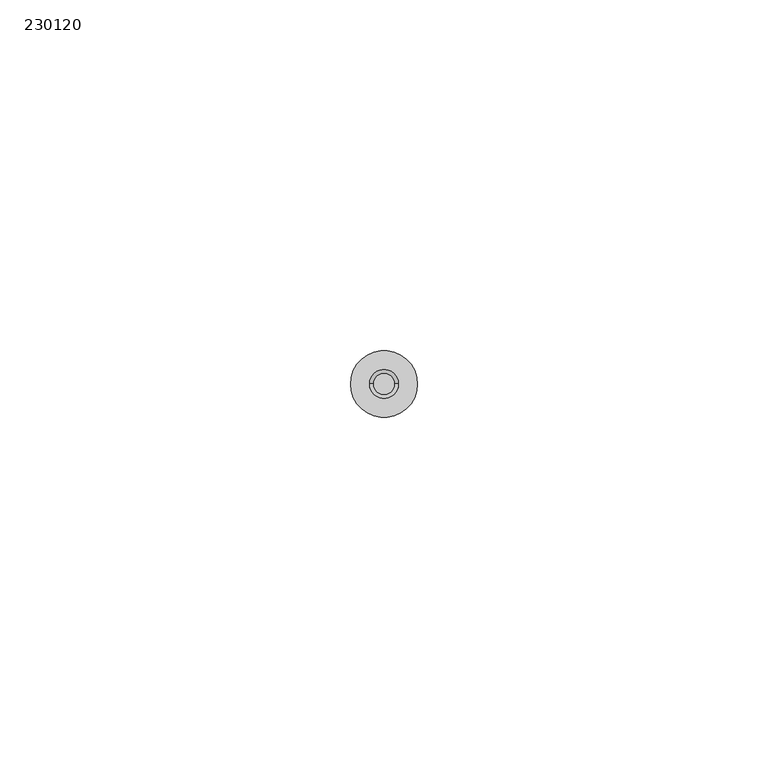
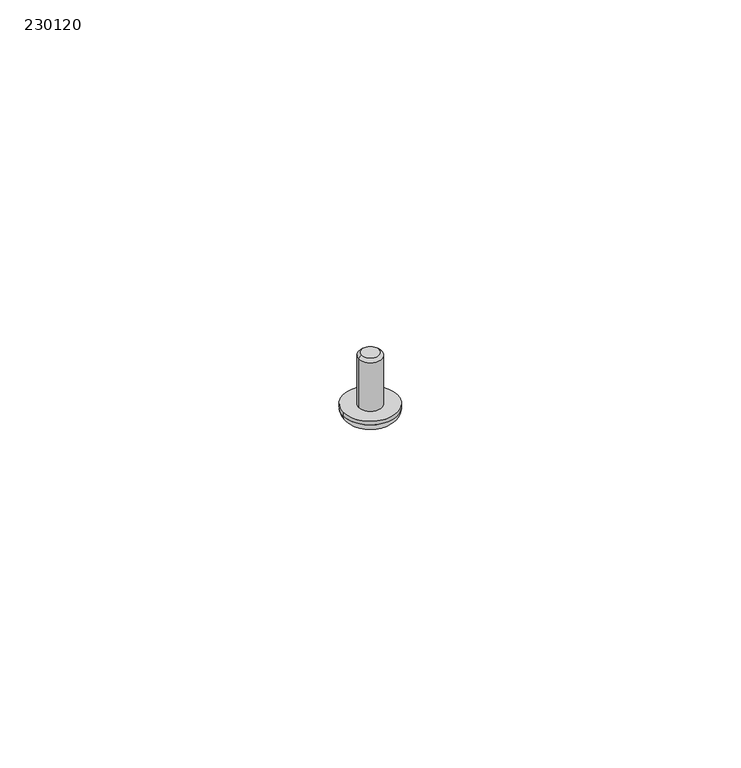
"""IFC4 building model written with IfcOpenShell, lengths in millimetres: proxy geometry, 230120."""

from ifc_helpers import new_model, si_unit, point, frame, origin, origin_with_axes, place, context, project, spatial, polyline, circle_curve, ellipse_curve, trimmed, source, transform, mapped, element, save
from ifc_brep_helpers import plane_surface, cylinder_surface, revolved_surface, advanced_brep


def proxy_230120_3cf7b6ec(model_context):
    return source(origin(), model_context, "Body", "AdvancedBrep", [
        advanced_brep(
        [(-4.7625, 0.0, 1.5875), (-4.7625, 0.0, 2.2606), (4.7625, 0.0, 2.2606), (4.7625, 0.0, 1.5875), (-3.175, 0.0, 0.0), (3.175, 0.0, 0.0), (-2.0574, 0.0, 2.2606), (-2.0574, 0.0, 11.2776), (2.0574, 0.0, 11.2776), (2.0574, 0.0, 2.2606), (-1.5494, 0.0, 11.7856), (1.5494, 0.0, 11.7856), (0.5551714, 2.0864002, 0.0), (-0.5551714, 2.0864002, 0.0), (-0.5551714, 0.5551714, 0.0), (-2.0864002, 0.5551714, 0.0), (-2.0864002, -0.5551714, 0.0), (-0.5551714, -0.5551714, 0.0), (-0.5551714, -2.0864002, 0.0), (0.5551714, -2.0864002, 0.0), (0.5551714, -0.5551714, 0.0), (2.0864002, -0.5551714, 0.0), (2.0864002, 0.5551714, 0.0), (0.5551714, 0.5551714, 0.0), (0.5551714, 2.0864002, 1.5875), (-0.5551714, 2.0864002, 1.5875), (0.5551714, 0.5551714, 1.5875), (2.0864002, 0.5551714, 1.5875), (2.0864002, -0.5551714, 1.5875), (0.5551714, -0.5551714, 1.5875), (0.5551714, -2.0864002, 1.5875), (-0.5551714, -2.0864002, 1.5875), (-0.5551714, -0.5551714, 1.5875), (-2.0864002, -0.5551714, 1.5875), (-2.0864002, 0.5551714, 1.5875), (-0.5551714, 0.5551714, 1.5875)],
        [
            (0, 1),
            (1, 2, circle_curve(frame((0.0, 0.0, 2.2606), z_axis=(0.0, 0.0, -1.0), x_axis=(-1.0, 0.0, 0.0)), 4.7625)),
            (2, 3),
            (3, 0, circle_curve(frame((0.0, 0.0, 1.5875), z_axis=(0.0, 0.0, 1.0), x_axis=(-1.0, 0.0, 0.0)), 4.7625)),
            (0, 4, circle_curve(frame((-3.175, 0.0, 1.5875), z_axis=(0.0, -1.0, 0.0), x_axis=(-1.0, 0.0, 0.0)), 1.5875)),
            (4, 5, circle_curve(origin_with_axes(), 3.175)),
            (5, 3, circle_curve(frame((3.175, 0.0, 1.5875), z_axis=(0.0, -1.0, 0.0), x_axis=(1.0, 0.0, 0.0)), 1.5875)),
            (3, 0, circle_curve(frame((0.0, 0.0, 1.5875), z_axis=(0.0, 0.0, -1.0), x_axis=(1.0, 0.0, 0.0)), 4.7625)),
            (6, 7),
            (7, 8, circle_curve(frame((0.0, 0.0, 11.2776), z_axis=(0.0, 0.0, -1.0), x_axis=(-1.0, 0.0, 0.0)), 2.0574)),
            (8, 9),
            (9, 6, circle_curve(frame((0.0, 0.0, 2.2606), z_axis=(0.0, 0.0, 1.0), x_axis=(-1.0, 0.0, 0.0)), 2.0574)),
            (10, 7),
            (7, 8, circle_curve(frame((0.0, 0.0, 11.2776), z_axis=(0.0, 0.0, 1.0), x_axis=(1.0, 0.0, 0.0)), 2.0574)),
            (8, 11),
            (11, 10, circle_curve(frame((0.0, 0.0, 11.7856), z_axis=(0.0, 0.0, -1.0), x_axis=(1.0, 0.0, 0.0)), 1.5494)),
            (10, 11, circle_curve(frame((0.0, 0.0, 11.7856), z_axis=(0.0, 0.0, -1.0), x_axis=(-1.0, 0.0, 0.0)), 1.5494)),
            (6, 9, circle_curve(frame((0.0, 0.0, 2.2606), z_axis=(0.0, 0.0, 1.0), x_axis=(-1.0, 0.0, 0.0)), 2.0574)),
            (5, 4, circle_curve(frame((0.0, 0.0, 0.0), z_axis=(0.0, 0.0, 1.0), x_axis=(-1.0, 0.0, 0.0)), 3.175)),
            (2, 1, circle_curve(frame((0.0, 0.0, 2.2606), z_axis=(0.0, 0.0, -1.0), x_axis=(-1.0, 0.0, 0.0)), 4.7625)),
            (12, 13, circle_curve(frame((0.0, 0.0, 0.0), z_axis=(0.0, 0.0, 1.0), x_axis=(0.2571428571428571, -0.966373401445015, 0.0)), 2.159)),
            (13, 14),
            (14, 15),
            (15, 16, circle_curve(frame((0.0, 0.0, 0.0), z_axis=(0.0, 0.0, 1.0), x_axis=(0.966373401445015, 0.2571428571428568, 0.0)), 2.159)),
            (16, 17),
            (17, 18),
            (18, 19, circle_curve(frame((0.0, 0.0, 0.0), z_axis=(0.0, 0.0, 1.0), x_axis=(-0.25714285714285684, 0.966373401445015, 0.0)), 2.159)),
            (19, 20),
            (20, 21),
            (21, 22, circle_curve(frame((0.0, 0.0, 0.0), z_axis=(0.0, 0.0, 1.0), x_axis=(-0.966373401445015, -0.2571428571428568, 0.0)), 2.159)),
            (22, 23),
            (23, 12),
            (24, 25, circle_curve(frame((0.0, 0.0, 1.5875), z_axis=(0.0, 0.0, 1.0), x_axis=(0.2571428571428571, -0.966373401445015, 0.0)), 2.159)),
            (25, 13),
            (12, 24),
            (26, 24),
            (23, 26),
            (27, 26),
            (22, 27),
            (28, 27, circle_curve(frame((0.0, 0.0, 1.5875), z_axis=(0.0, 0.0, 1.0), x_axis=(-0.966373401445015, -0.2571428571428568, 0.0)), 2.159)),
            (21, 28),
            (29, 28),
            (20, 29),
            (30, 29),
            (19, 30),
            (31, 30, circle_curve(frame((0.0, 0.0, 1.5875), z_axis=(0.0, 0.0, 1.0), x_axis=(-0.25714285714285684, 0.966373401445015, 0.0)), 2.159)),
            (18, 31),
            (32, 31),
            (17, 32),
            (33, 32),
            (16, 33),
            (34, 33, circle_curve(frame((0.0, 0.0, 1.5875), z_axis=(0.0, 0.0, 1.0), x_axis=(0.966373401445015, 0.2571428571428568, 0.0)), 2.159)),
            (15, 34),
            (35, 34),
            (14, 35),
            (25, 35),
        ],
        [
            cylinder_surface(frame((0.0, 0.0, 0.0), z_axis=(0.0, 0.0, 1.0), x_axis=(-1.0, 0.0, 0.0)), 4.7625),
            revolved_surface(trimmed(ellipse_curve(frame((3.175, 0.0, 1.5875), z_axis=(0.0, 1.0, 0.0), x_axis=(1.0, 0.0, 0.0)), 1.5875, 1.5875), [point((4.7625, 0.0, 1.5875))], [point((3.175, 0.0, 0.0))], True, "CARTESIAN"), (0.0, 0.0, 1.5875), (0.0, 0.0, -1.0)),
            cylinder_surface(frame((0.0, 0.0, 2.2606), z_axis=(0.0, 0.0, 1.0), x_axis=(-1.0, 0.0, 0.0)), 2.0574),
            revolved_surface(polyline([(-1.5493999999999992, 0.0, 11.7856), (-2.0574, 0.0, 11.2776)]), (0.0, 0.0, 13.335), (0.0, 0.0, -1.0)),
            plane_surface(frame((0.0, 0.0, 11.7856), z_axis=(0.0, 0.0, 1.0), x_axis=(-1.0, 0.0, 0.0))),
            revolved_surface(trimmed(ellipse_curve(frame((-3.175, 0.0, 1.5875), z_axis=(0.0, -1.0, 0.0), x_axis=(-1.0, 0.0, 0.0)), 1.5875, 1.5875), [point((-4.7625, 0.0, 1.5875))], [point((-3.175, 0.0, 0.0))], True, "CARTESIAN"), (0.0, 0.0, 1.5875), (0.0, 0.0, -1.0)),
            plane_surface(frame((0.0, 0.0, 0.0), z_axis=(0.0, 0.0, -1.0), x_axis=(-1.0, 0.0, 0.0))),
            revolved_surface(polyline([(0.5551714285714284, -2.0864001737197873, 1.5875), (0.5551714285714284, -2.0864001737197873, 0.0)]), (0.0, 0.0, 0.0), (0.0, 0.0, 1.0)),
            plane_surface(frame((0.5551714, 2.0864002, 0.0), z_axis=(-1.0, 0.0, 0.0), x_axis=(0.0, 0.0, -1.0))),
            plane_surface(frame((0.5551714, 0.5551714, 0.0), z_axis=(0.0, -1.0, 0.0), x_axis=(0.0, 0.0, 1.0))),
            revolved_surface(polyline([(-2.0864001737197873, -0.5551714285714278, 1.5874999999999995), (-2.0864001737197873, -0.5551714285714278, 0.0)]), (0.0, 0.0, 0.0), (0.0, 0.0, 0.9999999999999999)),
            plane_surface(frame((2.0864002, -0.5551714, 0.0), z_axis=(0.0, 1.0, 0.0), x_axis=(0.0, 0.0, -1.0))),
            plane_surface(frame((0.5551714, -0.5551714, 0.0), z_axis=(-1.0, 0.0, 0.0), x_axis=(0.0, 0.0, -1.0))),
            revolved_surface(polyline([(-0.5551714285714279, 2.0864001737197873, 1.5875), (-0.5551714285714279, 2.0864001737197873, 0.0)]), (0.0, 0.0, 0.0), (0.0, 0.0, 1.0)),
            plane_surface(frame((-0.5551714, -2.0864002, 0.0), z_axis=(1.0, 0.0, 0.0), x_axis=(0.0, 0.0, 1.0))),
            plane_surface(frame((-0.5551714, -0.5551714, 0.0), z_axis=(0.0, 1.0, 0.0), x_axis=(0.0, 0.0, -1.0))),
            revolved_surface(polyline([(2.0864001737197873, 0.5551714285714278, 1.5874999999999995), (2.0864001737197873, 0.5551714285714278, 0.0)]), (0.0, 0.0, 0.0), (0.0, 0.0, 0.9999999999999999)),
            plane_surface(frame((-2.0864002, 0.5551714, 0.0), z_axis=(0.0, -1.0, 0.0), x_axis=(0.0, 0.0, 1.0))),
            plane_surface(frame((-0.5551714, 0.5551714, 0.0), z_axis=(1.0, 0.0, 0.0), x_axis=(0.0, 0.0, 1.0))),
            plane_surface(frame((0.0, 0.0, 1.5875), z_axis=(0.0, 0.0, -1.0), x_axis=(1.0, 0.0, 0.0))),
            plane_surface(frame((0.0, 0.0, 2.2606), z_axis=(0.0, 0.0, 1.0), x_axis=(-1.0, 0.0, 0.0))),
        ],
        [
            (0, [[1, 2, 3, 4]]),
            (1, [[5, 6, 7, 8]]),
            (2, [[9, 10, 11, 12]]),
            (3, [[13, 14, 15, 16]]),
            (3, [[-13, 17, -15, -10]]),
            (2, [[-9, 18, -11, -14]]),
            (4, [[-16, -17]]),
            (5, [[-5, -4, -7, 19]]),
            (0, [[-1, -8, -3, 20]]),
            (6, [[-19, -6], [21, 22, 23, 24, 25, 26, 27, 28, 29, 30, 31, 32]]),
            (7, [[33, 34, -21, 35]]),
            (8, [[36, -35, -32, 37]]),
            (9, [[38, -37, -31, 39]]),
            (10, [[40, -39, -30, 41]]),
            (11, [[42, -41, -29, 43]]),
            (12, [[44, -43, -28, 45]]),
            (13, [[46, -45, -27, 47]]),
            (14, [[48, -47, -26, 49]]),
            (15, [[50, -49, -25, 51]]),
            (16, [[52, -51, -24, 53]]),
            (17, [[54, -53, -23, 55]]),
            (18, [[56, -55, -22, -34]]),
            (19, [[-33, -36, -38, -40, -42, -44, -46, -48, -50, -52, -54, -56]]),
            (20, [[-20, -2], [-18, -12]]),
        ],
    ),
    ])


if __name__ == "__main__":
    model = new_model("IFC4")
    model_context = context("Model", 3, world=origin())
    ifc_project = project(units=[si_unit("LENGTHUNIT", "METRE", prefix="MILLI")], contexts=[model_context])
    site = spatial("IfcSite", under=ifc_project)
    building = spatial("IfcBuilding", under=site)
    placement = place(None, origin())
    proxy_230120_shape = proxy_230120_3cf7b6ec(model_context)
    element("IfcBuildingElementProxy", 1, Name="230120", ObjectType="230120", at=placement, inside=building, context=model_context, shape_type="MappedRepresentation", body=[
        mapped(proxy_230120_shape, transform((0.0, 0.0, 0.0), x_axis=(1.0, 0.0, 0.0), y_axis=(0.0, 1.0, 0.0), z_axis=(0.0, 0.0, 1.0))),
    ])
    save(model, "model.ifc")
